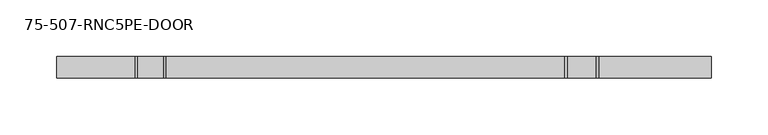
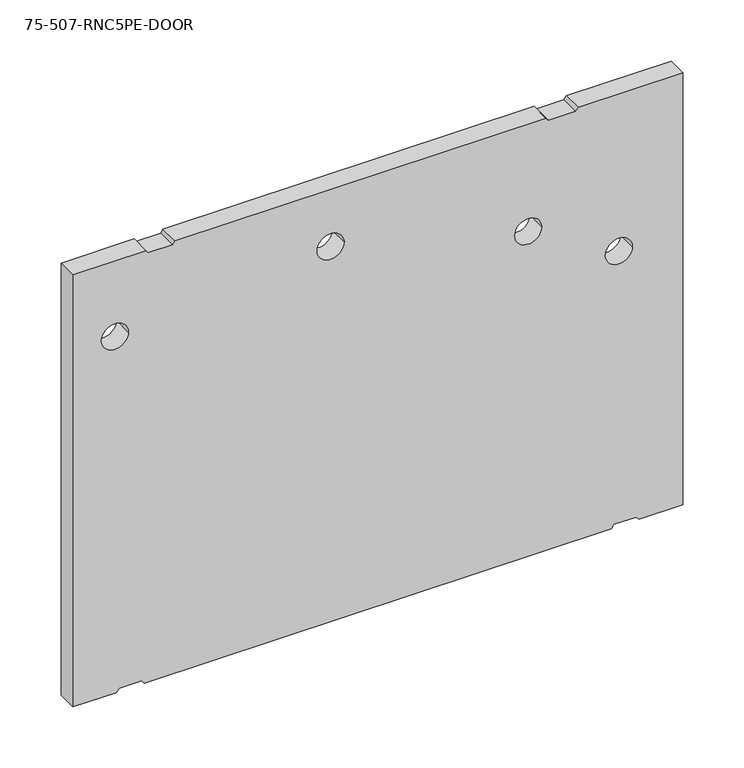
"""IFC4 building model written with IfcOpenShell, lengths in millimetres: proxy geometry, 75-507-RNC5PE-DOOR."""

from ifc_helpers import new_model, si_unit, point, frame, frame_2d, origin, place, context, project, spatial, polyline, circle_curve, trimmed, segment, composite_curve, outline, extrude, source, transform, mapped, element, save


def proxy_75_507_rnc5pe_door_e168d511(model_context):
    return source(origin(), model_context, "Body", "SweptSolid", [
        extrude(outline(polyline([(1951.3099637, -1122.9463791), (1948.1349637, -1125.2200291), (1948.1349637, -1148.0800194), (1951.3099637, -1150.2717945), (1951.3099637, -1219.2), (1519.5102544, -1219.2), (1519.5102544, -1178.2446026), (1522.6852544, -1175.0675194), (1522.6852544, -1154.1125), (1519.5102544, -1151.542308), (1519.5102544, -710.2824082), (1522.6852544, -707.7074927), (1522.6852544, -686.7524915), (1519.5102544, -684.3581549), (1519.5102544, -642.6199806), (1951.3099637, -642.6199806), (1951.3099637, -741.695377), (1948.1349637, -744.2199927), (1948.1349637, -769.6199927), (1951.3099637, -772.1412172), (1951.3099637, -1122.9463791)]), holes=[composite_curve([segment(trimmed(circle_curve(frame_2d((1843.9188444, -788.7715975)), 12.7), [point((1843.9188444, -801.4715975))], [point((1843.9188444, -776.0715975))], True, "CARTESIAN"), True, "CONTINUOUS"), segment(trimmed(circle_curve(frame_2d((1843.9188444, -788.7715975)), 12.7), [point((1843.9188444, -776.0715975))], [point((1843.9188444, -801.4715975))], True, "CARTESIAN"), True, "CONTINUOUS")], self_intersect=False), composite_curve([segment(trimmed(circle_curve(frame_2d((1894.2361219, -975.5378622)), 12.7), [point((1894.2361219, -988.2378622))], [point((1894.2361219, -962.8378622))], True, "CARTESIAN"), True, "CONTINUOUS"), segment(trimmed(circle_curve(frame_2d((1894.2361219, -975.5378622)), 12.7), [point((1894.2361219, -962.8378622))], [point((1894.2361219, -988.2378622))], True, "CARTESIAN"), True, "CONTINUOUS")], self_intersect=False), composite_curve([segment(trimmed(circle_curve(frame_2d((1875.6434583, -1179.3220078)), 12.7), [point((1875.6434583, -1192.0220078))], [point((1875.6434583, -1166.6220078))], True, "CARTESIAN"), True, "CONTINUOUS"), segment(trimmed(circle_curve(frame_2d((1875.6434583, -1179.3220078)), 12.7), [point((1875.6434583, -1166.6220078))], [point((1875.6434583, -1192.0220078))], True, "CARTESIAN"), True, "CONTINUOUS")], self_intersect=False), composite_curve([segment(trimmed(circle_curve(frame_2d((1794.2111226, -703.0720078)), 12.7), [point((1794.2111226, -715.7720078))], [point((1794.2111226, -690.3720078))], True, "CARTESIAN"), True, "CONTINUOUS"), segment(trimmed(circle_curve(frame_2d((1794.2111226, -703.0720078)), 12.7), [point((1794.2111226, -690.3720078))], [point((1794.2111226, -715.7720078))], True, "CARTESIAN"), True, "CONTINUOUS")], self_intersect=False)]), frame((0.0, -19.05, 0.0), z_axis=(0.0, 1.0, 0.0), x_axis=(0.0, 0.0, 1.0)), (0.0, 0.0, 1.0), 19.05),
    ])


if __name__ == "__main__":
    model = new_model("IFC4")
    model_context = context("Model", 3, world=origin())
    ifc_project = project(units=[si_unit("LENGTHUNIT", "METRE", prefix="MILLI")], contexts=[model_context])
    site = spatial("IfcSite", under=ifc_project)
    building = spatial("IfcBuilding", under=site)
    placement = place(None, origin())
    proxy_75_507_rnc5pe_door_shape = proxy_75_507_rnc5pe_door_e168d511(model_context)
    element("IfcBuildingElementProxy", 1, Name="75-507-RNC5PE-DOOR", ObjectType="75-507-RNC5PE-DOOR", at=placement, inside=building, context=model_context, shape_type="MappedRepresentation", body=[
        mapped(proxy_75_507_rnc5pe_door_shape, transform((0.0, 0.0, 0.0), x_axis=(1.0, 0.0, 0.0), y_axis=(0.0, 1.0, 0.0), z_axis=(0.0, 0.0, 1.0))),
    ])
    save(model, "model.ifc")
